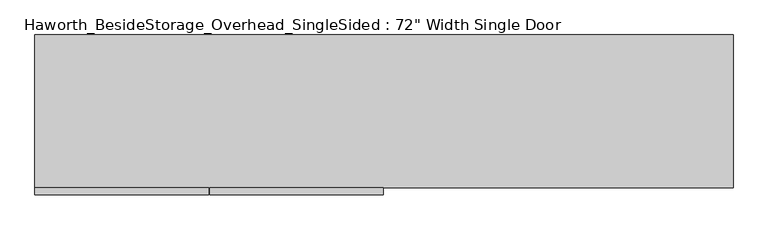
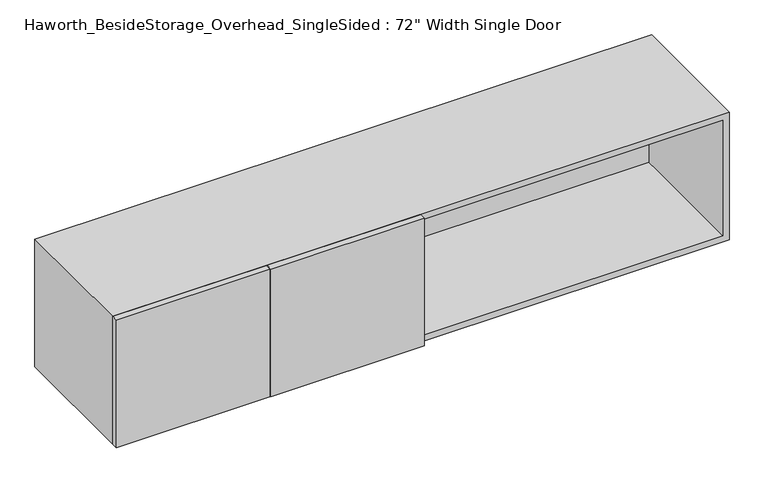
"""IFC4 building model written with IfcOpenShell, lengths in millimetres: furniture geometry."""

from ifc_helpers import new_model, si_unit, frame, origin, place, context, project, spatial, polyline, outline, extrude, source, transform, mapped, element, save


def furniture_e600e17d(model_context):
    return source(origin(), model_context, "Body", "SweptSolid", [
        extrude(outline(polyline([(-291.30625, -419.1), (-291.30625, -400.05), (163.5125, -400.05), (163.5125, -419.1), (-291.30625, -419.1)])), frame((0.0, 0.0, 762.0), z_axis=(0.0, 0.0, 1.0), x_axis=(1.0, 0.0, 0.0)), (0.0, 0.0, 1.0), 400.05),
        extrude(outline(polyline([(-294.48125, -419.1), (-749.3, -419.1), (-749.3, -400.05), (-294.48125, -400.05), (-294.48125, -419.1)])), frame((0.0, 0.0, 762.0), z_axis=(0.0, 0.0, 1.0), x_axis=(1.0, 0.0, 0.0)), (0.0, 0.0, 1.0), 400.05),
        extrude(outline(polyline([(174.625, -400.05), (155.575, -400.05), (155.575, -19.05), (174.625, -19.05), (174.625, -400.05)])), frame((0.0, 0.0, 781.05), z_axis=(0.0, 0.0, 1.0), x_axis=(1.0, 0.0, 0.0)), (0.0, 0.0, 1.0), 361.95),
        extrude(outline(polyline([(1060.45, -19.05), (-730.25, -19.05), (-730.25, 0.0), (1060.45, 0.0), (1060.45, -19.05)])), frame((0.0, 0.0, 781.05), z_axis=(0.0, 0.0, 1.0), x_axis=(1.0, 0.0, 0.0)), (0.0, 0.0, 1.0), 361.95),
        extrude(outline(polyline([(762.0, 1079.5), (1162.05, 1079.5), (1162.05, -749.3), (762.0, -749.3), (762.0, 1079.5)]), holes=[polyline([(1143.0, 1060.45), (781.05, 1060.45), (781.05, -730.25), (1143.0, -730.25), (1143.0, 1060.45)])]), frame((0.0, -400.05, 0.0), z_axis=(0.0, 1.0, 0.0), x_axis=(0.0, 0.0, 1.0)), (0.0, 0.0, 1.0), 400.05),
    ])


if __name__ == "__main__":
    model = new_model("IFC4")
    model_context = context("Model", 3, world=origin())
    ifc_project = project(units=[si_unit("LENGTHUNIT", "METRE", prefix="MILLI")], contexts=[model_context])
    site = spatial("IfcSite", under=ifc_project)
    building = spatial("IfcBuilding", under=site)
    placement = place(None, origin())
    furniture_shape = furniture_e600e17d(model_context)
    element("IfcFurniture", 1, ObjectType="Haworth_BesideStorage_Overhead_SingleSided : 72\" Width Single Door", at=placement, inside=building, context=model_context, shape_type="MappedRepresentation", body=[
        mapped(furniture_shape, transform((0.0, 0.0, 0.0), x_axis=(1.0, 0.0, 0.0), y_axis=(0.0, 1.0, 0.0), z_axis=(0.0, 0.0, 1.0))),
    ])
    save(model, "model.ifc")
